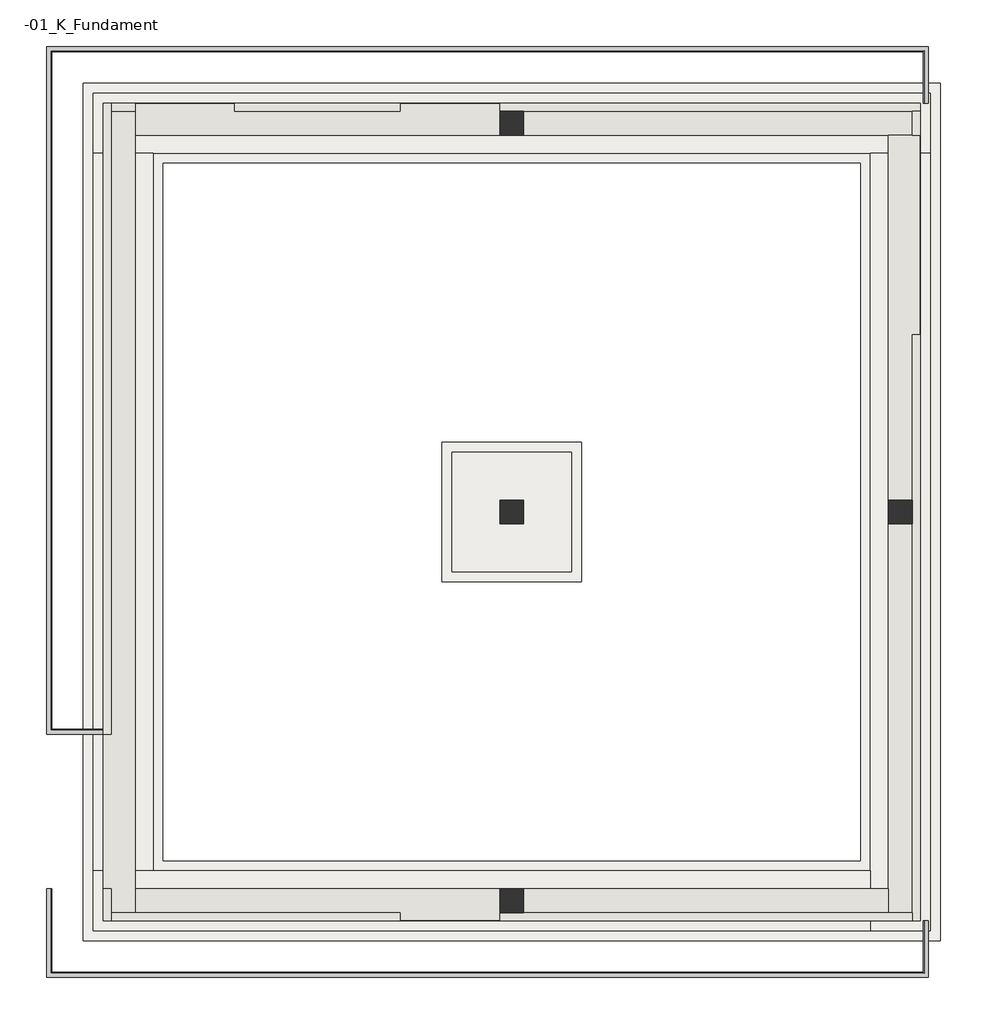
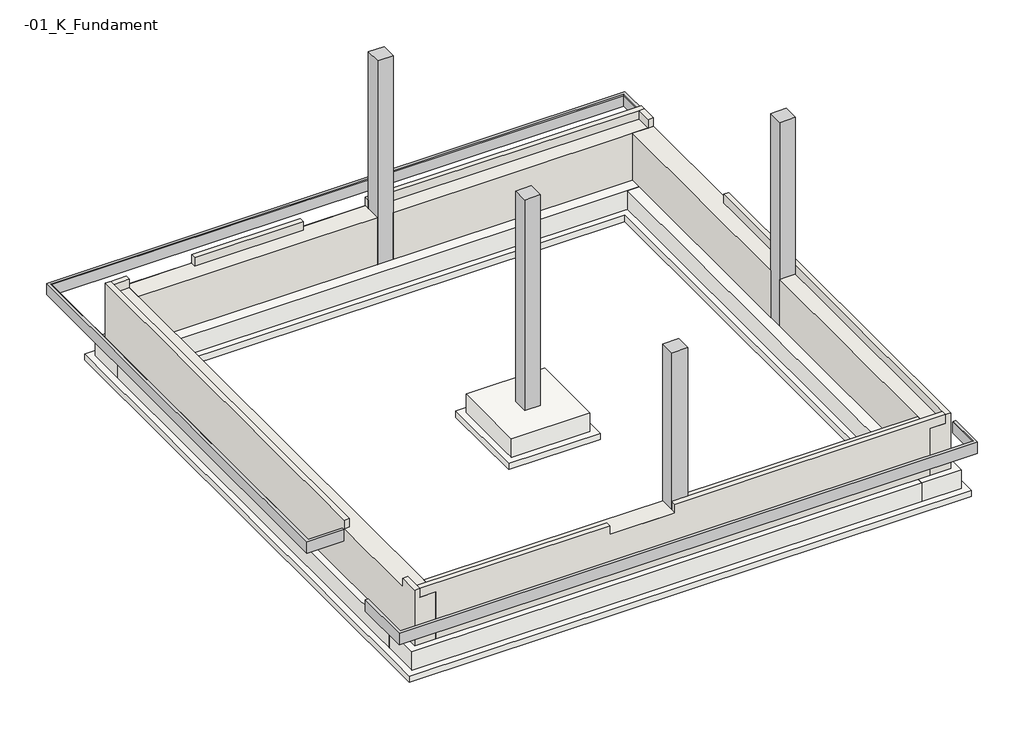
# One storey: 4 columns, 4 footings, 4 walls, 3 slabs, 1 geographic element.
"""IFC4 building model written with IfcOpenShell, lengths in millimetres."""

from ifc_helpers import new_model, si_unit, frame, origin, place, context, project, spatial, polyline, outline, extrude, faceted_brep, element, save

model = new_model("IFC4")

# Units and contexts
model_context = context("Model", 3, world=origin())
ifc_project = project(units=[si_unit("LENGTHUNIT", "METRE", prefix="MILLI")], contexts=[model_context])

# Site, building, storey
site = spatial("IfcSite", under=ifc_project)
building = spatial("IfcBuilding", under=site)
storey = spatial("IfcBuildingStorey", under=building, Name="-01_K_Fundament", Elevation=-900.0)

# Columns
placement = place(None, origin())
element("IfcColumn", 1, ObjectType="240x240mm", at=placement, inside=storey, context=model_context, shape_type="Brep", body=[
    faceted_brep([(242.0727508, 10.284763, -900.0), (242.0727508, -229.715237, -900.0), (2.0727508, -229.715237, -900.0), (2.0727508, 10.284763, -900.0), (242.0727508, 10.284763, 2510.0), (242.0727508, -229.715237, 2510.0), (242.0727508, -229.715237, -140.0), (242.0727508, -229.715237, -690.0), (242.0727508, 10.284763, -690.0), (242.0727508, 10.284763, -140.0), (2.0727508, -229.715237, 2510.0), (2.0727508, -229.715237, -140.0), (2.0727508, -229.715237, -690.0), (2.0727508, 10.284763, 2510.0), (2.0727508, 10.284763, -140.0), (2.0727508, 10.284763, -690.0)], [[[0, 1, 2, 3]], [[4, 5, 6, 7, 1, 0, 8, 9]], [[5, 10, 11, 12, 2, 1, 7, 6]], [[10, 13, 14, 15, 3, 2, 12, 11]], [[13, 4, 9, 8, 0, 3, 15, 14]], [[4, 13, 10, 5]]]),
])
element("IfcColumn", 2, ObjectType="240x240mm", at=placement, inside=storey, context=model_context, shape_type="Brep", body=[
    faceted_brep([(242.0727508, -3889.715237, -900.0), (242.0727508, -4129.715237, -900.0), (2.0727508, -4129.715237, -900.0), (2.0727508, -3889.715237, -900.0), (242.0727508, -3889.715237, 2400.0), (242.0727508, -4129.715237, 2400.0), (242.0727508, -4129.715237, 0.0), (242.0727508, -4129.715237, -140.0), (242.0727508, -3889.715237, -140.0), (242.0727508, -3889.715237, 0.0), (2.0727508, -4129.715237, 2400.0), (2.0727508, -4129.715237, 0.0), (2.0727508, -4129.715237, -140.0), (2.0727508, -3889.715237, 2400.0), (2.0727508, -3889.715237, 0.0), (2.0727508, -3889.715237, -140.0)], [[[0, 1, 2, 3]], [[4, 5, 6, 7, 1, 0, 8, 9]], [[5, 10, 11, 12, 2, 1, 7, 6]], [[10, 13, 14, 15, 3, 2, 12, 11]], [[13, 4, 9, 8, 0, 3, 15, 14]], [[4, 13, 10, 5]]]),
])
element("IfcColumn", 3, ObjectType="240x240mm", at=placement, inside=storey, context=model_context, shape_type="Brep", body=[
    faceted_brep([(4142.0727508, 10.284763, -900.0), (4142.0727508, -229.715237, -900.0), (3902.0727508, -229.715237, -900.0), (3902.0727508, 10.284763, -900.0), (4142.0727508, 10.284763, 2400.0), (4142.0727508, -229.715237, 2400.0), (4142.0727508, -229.715237, 0.0), (4142.0727508, -229.715237, -140.0), (4142.0727508, 10.284763, -140.0), (4142.0727508, 10.284763, 0.0), (3902.0727508, -229.715237, 2400.0), (3902.0727508, -229.715237, 0.0), (3902.0727508, -229.715237, -140.0), (3902.0727508, 10.284763, 2400.0), (3902.0727508, 10.284763, 0.0), (3902.0727508, 10.284763, -140.0)], [[[0, 1, 2, 3]], [[4, 5, 6, 7, 1, 0, 8, 9]], [[5, 10, 11, 12, 2, 1, 7, 6]], [[10, 13, 14, 15, 3, 2, 12, 11]], [[13, 4, 9, 8, 0, 3, 15, 14]], [[4, 13, 10, 5]]]),
])
element("IfcColumn", 4, ObjectType="240x240mm", at=placement, inside=storey, context=model_context, shape_type="Brep", body=[
    faceted_brep([(242.0727508, 3910.284763, -900.0), (242.0727508, 3670.284763, -900.0), (2.0727508, 3670.284763, -900.0), (2.0727508, 3910.284763, -900.0), (242.0727508, 3910.284763, 2400.0), (242.0727508, 3670.284763, 2400.0), (242.0727508, 3670.284763, 0.0), (242.0727508, 3670.284763, -140.0), (242.0727508, 3910.284763, -140.0), (242.0727508, 3910.284763, 0.0), (2.0727508, 3670.284763, 2400.0), (2.0727508, 3670.284763, 0.0), (2.0727508, 3670.284763, -140.0), (2.0727508, 3910.284763, 2400.0), (2.0727508, 3910.284763, 0.0), (2.0727508, 3910.284763, -140.0)], [[[0, 1, 2, 3]], [[4, 5, 6, 7, 1, 0, 8, 9]], [[5, 10, 11, 12, 2, 1, 7, 6]], [[10, 13, 14, 15, 3, 2, 12, 11]], [[13, 4, 9, 8, 0, 3, 15, 14]], [[4, 13, 10, 5]]]),
])

# Footings
element("IfcFooting", 5, at=placement, inside=storey, context=model_context, shape_type="Brep", body=[
    faceted_brep([(-4077.9272492, 3490.284763, -900.0), (-3477.9272492, 3490.284763, -900.0), (3722.0727508, 3490.284763, -900.0), (4322.0727508, 3490.284763, -900.0), (4322.0727508, 4090.284763, -900.0), (-4077.9272492, 4090.284763, -900.0), (-4077.9272492, 4090.284763, -1200.0), (4322.0727508, 4090.284763, -1200.0), (-4077.9272492, 3490.284763, -1200.0), (4322.0727508, 3490.284763, -1200.0), (3722.0727508, 3490.284763, -1200.0), (-3477.9272492, 3490.284763, -1200.0)], [[[0, 1, 2, 3, 4, 5]], [[6, 5, 4, 7]], [[8, 6, 7, 9, 10, 11]], [[0, 8, 11, 10, 9, 3, 2, 1]], [[0, 5, 6, 8]], [[4, 3, 9, 7]]]),
])
element("IfcFooting", 6, at=placement, inside=storey, context=model_context, shape_type="Brep", body=[
    faceted_brep([(-3477.9272492, 3490.284763, -900.0), (-4077.9272492, 3490.284763, -900.0), (-4077.9272492, -2289.715237, -900.0), (-4077.9272492, -3709.715237, -900.0), (-3477.9272492, -3709.715237, -900.0), (-4077.9272492, 3490.284763, -1200.0), (-4077.9272492, -2289.715237, -1200.0), (-4077.9272492, -3709.715237, -1200.0), (-3477.9272492, 3490.284763, -1200.0), (-3477.9272492, -3709.715237, -1200.0)], [[[0, 1, 2, 3, 4]], [[1, 5, 6, 7, 3, 2]], [[5, 8, 9, 7, 6]], [[8, 0, 4, 9]], [[1, 0, 8, 5]], [[4, 3, 7, 9]]]),
])
element("IfcFooting", 7, at=placement, inside=storey, context=model_context, shape_type="Brep", body=[
    faceted_brep([(-4077.9272492, -3709.715237, -900.0), (-4077.9272492, -4309.715237, -900.0), (3722.0727508, -4309.715237, -900.0), (3722.0727508, -3709.715237, -900.0), (-3477.9272492, -3709.715237, -900.0), (-4077.9272492, -4309.715237, -1200.0), (3722.0727508, -4309.715237, -1200.0), (-4077.9272492, -3709.715237, -1200.0), (-3477.9272492, -3709.715237, -1200.0), (3722.0727508, -3709.715237, -1200.0)], [[[0, 1, 2, 3, 4]], [[1, 5, 6, 2]], [[5, 7, 8, 9, 6]], [[7, 0, 4, 3, 9, 8]], [[1, 0, 7, 5]], [[3, 2, 6, 9]]]),
])
element("IfcFooting", 8, at=placement, inside=storey, context=model_context, shape_type="Brep", body=[
    faceted_brep([(3722.0727508, -4309.715237, -900.0), (4322.0727508, -4309.715237, -900.0), (4322.0727508, 3490.284763, -900.0), (3722.0727508, 3490.284763, -900.0), (3722.0727508, -3709.715237, -900.0), (4322.0727508, -4309.715237, -1200.0), (4322.0727508, 3490.284763, -1200.0), (3722.0727508, -4309.715237, -1200.0), (3722.0727508, -3709.715237, -1200.0), (3722.0727508, 3490.284763, -1200.0)], [[[0, 1, 2, 3, 4]], [[1, 5, 6, 2]], [[5, 7, 8, 9, 6]], [[7, 0, 4, 3, 9, 8]], [[1, 0, 7, 5]], [[3, 2, 6, 9]]]),
])

# Geographic element
element("IfcGeographicElement", 9, at=placement, inside=storey, context=model_context, shape_type="Brep", body=[
    faceted_brep([(4302.0727507, 3990.284763, -335.0), (4302.0727508, 3990.284763, -150.0), (4262.0727508, 3990.284763, -150.0), (4252.0727507, 3990.284763, -160.0), (4252.0727507, 3990.284763, -335.0), (4302.0727507, 4560.284763, -335.0), (4302.0727508, 4560.2847631, -150.0), (-4547.9272493, 4560.2847631, -150.0), (-4547.9272493, -2339.715237, -150.0), (-3977.9272493, -2339.715237, -150.0), (-3977.9272493, -2299.715237, -150.0), (-4507.9272493, -2299.715237, -150.0), (-4507.9272493, 4520.2847631, -150.0), (4262.0727508, 4520.2847631, -150.0), (4252.0727507, 4510.284763, -160.0), (4252.0727507, 4510.284763, -335.0), (-4497.9272492, 4510.284763, -335.0), (-4497.9272492, -2289.715237, -335.0), (-3977.9272493, -2289.715237, -335.0), (-3977.9272493, -2339.715237, -335.0), (-4547.9272493, -2339.715237, -335.0), (-4547.9272493, 4560.284763, -335.0), (-4497.9272492, 4510.284763, -160.0), (-4497.9272492, -2289.715237, -160.0), (-3977.9272493, -2289.715237, -160.0)], [[[0, 1, 2, 3, 4]], [[1, 0, 5, 6]], [[2, 1, 6, 7, 8, 9, 10, 11, 12, 13]], [[3, 2, 13, 14]], [[4, 3, 14, 15]], [[0, 4, 15, 16, 17, 18, 19, 20, 21, 5]], [[6, 5, 21, 7]], [[14, 13, 12, 22]], [[15, 14, 22, 16]], [[7, 21, 20, 8]], [[22, 12, 11, 23]], [[16, 22, 23, 17]], [[19, 18, 24, 10, 9]], [[8, 20, 19, 9]], [[23, 11, 10, 24]], [[17, 23, 24, 18]]]),
    faceted_brep([(-4547.9272493, -3889.715237, -335.0), (-4547.9272493, -3889.715237, -150.0), (-4507.9272493, -3889.715237, -150.0), (-4497.9272492, -3889.715237, -160.0), (-4497.9272492, -3889.715237, -335.0), (-4547.9272493, -4779.715237, -335.0), (-4547.9272493, -4779.715237, -150.0), (4302.0727508, -4779.715237, -150.0), (4302.0727508, -4209.715237, -150.0), (4262.0727508, -4209.715237, -150.0), (4262.0727508, -4739.715237, -150.0), (-4507.9272493, -4739.715237, -150.0), (-4497.9272492, -4729.715237, -160.0), (-4497.9272492, -4729.715237, -335.0), (4252.0727507, -4729.715237, -335.0), (4252.0727507, -4209.715237, -335.0), (4302.0727508, -4209.715237, -335.0), (4302.0727508, -4779.715237, -335.0), (4252.0727507, -4729.715237, -160.0), (4252.0727507, -4209.715237, -160.0)], [[[0, 1, 2, 3, 4]], [[1, 0, 5, 6]], [[2, 1, 6, 7, 8, 9, 10, 11]], [[3, 2, 11, 12]], [[4, 3, 12, 13]], [[0, 4, 13, 14, 15, 16, 17, 5]], [[6, 5, 17, 7]], [[12, 11, 10, 18]], [[13, 12, 18, 14]], [[16, 15, 19, 9, 8]], [[7, 17, 16, 8]], [[18, 10, 9, 19]], [[14, 18, 19, 15]]]),
])

# Slabs
element("IfcSlab", 10, at=placement, inside=storey, context=model_context, shape_type="SweptSolid", body=[
    extrude(outline(polyline([(4422.0727508, 4190.284763), (4422.0727508, -4409.715237), (-4177.9272493, -4409.715237), (-4177.9272493, 4190.284763), (4422.0727508, 4190.284763)]), holes=[polyline([(-3377.9272493, 3390.2847631), (-3377.9272493, -3609.7152371), (3622.0727508, -3609.7152371), (3622.0727508, 3390.2847631), (-3377.9272493, 3390.2847631)])]), frame((0.0, 0.0, -1300.0), z_axis=(0.0, 0.0, 1.0), x_axis=(1.0, 0.0, 0.0)), (0.0, 0.0, 1.0), 100.0),
])
element("IfcSlab", 11, at=placement, inside=storey, context=model_context, shape_type="SweptSolid", body=[
    extrude(outline(polyline([(-577.9272492, -809.715237), (-577.9272492, 590.284763), (822.0727508, 590.284763), (822.0727508, -809.715237), (-577.9272492, -809.715237)])), frame((0.0, 0.0, -1300.0), z_axis=(0.0, 0.0, 1.0), x_axis=(1.0, 0.0, 0.0)), (0.0, 0.0, 1.0), 100.0),
])
element("IfcSlab", 12, ObjectType="1200 x 1200 x 300mm", at=placement, inside=storey, context=model_context, shape_type="SweptSolid", body=[
    extrude(outline(polyline([(722.0727508, 490.284763), (722.0727508, -709.715237), (-477.9272492, -709.715237), (-477.9272492, 490.284763), (722.0727508, 490.284763)])), frame((0.0, 0.0, -1200.0), z_axis=(0.0, 0.0, 1.0), x_axis=(1.0, 0.0, 0.0)), (0.0, 0.0, 1.0), 300.0),
])

# Walls
element("IfcWall", 13, at=placement, inside=storey, context=model_context, shape_type="Brep", body=[
    faceted_brep([(-3657.9272492, -4209.715237, -900.0), (-3657.9272492, -3889.715237, -900.0), (-3657.9272492, 3670.284763, -900.0), (-3657.9272492, 3990.284763, -900.0), (-3657.9272492, 3990.284763, -140.0), (-3657.9272492, 3670.284763, -140.0), (-3657.9272492, -2339.715237, -140.0), (-3657.9272492, -3889.715237, -140.0), (-3657.9272492, -4209.715237, -140.0), (-3977.9272492, 3990.284763, -900.0), (-3977.9272492, -4209.715237, -900.0), (-3977.9272492, -4209.715237, 0.0), (-3977.9272492, -3889.715237, 0.0), (-3977.9272492, -3889.715237, -140.0), (-3977.9272492, -2339.715237, -140.0), (-3977.9272492, -2339.715237, 0.0), (-3977.9272492, 3990.284763, 0.0), (-3897.9272492, 3990.284763, 0.0), (-3897.9272492, 3990.284763, -140.0), (-3897.9272492, -4209.715237, -140.0), (-3897.9272492, -4209.715237, 0.0), (-3897.9272492, 3910.284763, -140.0), (-3897.9272492, -2339.715237, -140.0), (-3897.9272492, -3889.715237, -140.0), (-3897.9272492, -4129.715237, -140.0), (-3897.9272492, -3889.715237, 0.0), (-3897.9272492, -4129.715237, 0.0), (-3897.9272492, 3910.284763, 0.0), (-3897.9272492, -2339.715237, 0.0)], [[[0, 1, 2, 3, 4, 5, 6, 7, 8]], [[9, 10, 11, 12, 13, 14, 15, 16]], [[3, 2, 1, 0, 10, 9]], [[4, 3, 9, 16, 17, 18]], [[0, 8, 19, 20, 11, 10]], [[19, 8, 7, 6, 5, 4, 18, 21, 22, 14, 13, 23, 24]], [[20, 19, 24, 23, 25, 26]], [[18, 17, 27, 28, 22, 21]], [[17, 16, 15, 28, 27]], [[11, 20, 26, 25, 12]], [[14, 22, 28, 15]], [[23, 13, 12, 25]]]),
])
element("IfcWall", 14, at=placement, inside=storey, context=model_context, shape_type="Brep", body=[
    faceted_brep([(-3657.9272492, 3670.284763, -140.0), (-3657.9272492, 3670.284763, -900.0), (2.0727508, 3670.284763, -900.0), (2.0727508, 3670.284763, -140.0), (-997.9272493, 3670.284763, -140.0), (-2657.9272493, 3670.284763, -140.0), (4222.0727508, 3670.284763, -900.0), (4222.0727508, 3670.284763, -140.0), (3902.0727508, 3670.284763, -140.0), (3887.0727507, 3670.284763, -140.0), (242.0727508, 3670.284763, -140.0), (242.0727508, 3670.284763, -900.0), (3902.0727508, 3670.284763, -900.0), (4222.0727508, 3990.284763, -900.0), (-3657.9272492, 3990.284763, -900.0), (-3657.9272492, 3990.284763, -140.0), (-2657.9272493, 3990.284763, -140.1209677), (-2657.9272493, 3990.284763, 0.0), (-997.9272493, 3990.284763, 0.0), (-997.9272493, 3990.284763, -140.1209677), (2.0727507, 3990.284763, -140.1209677), (2.0727507, 3990.284763, 0.0), (4222.0727508, 3990.284763, 0.0), (-3897.9272492, 3990.284763, -140.0), (-3897.9272492, 3990.284763, 0.0), (-3657.9272493, 3990.284763, 0.0), (242.0727508, 3910.284763, -900.0), (2.0727508, 3910.284763, -900.0), (-3657.9272492, 3910.284763, -140.0), (-3657.9272492, 3987.284763, -140.0), (4222.0727508, 3910.284763, 0.0), (4222.0727508, 3910.284763, -140.0), (2.0727508, 3910.284763, -140.0), (2.0727507, 3987.284763, -140.0), (-997.9272493, 3987.284763, -140.0), (-997.9272493, 3910.284763, -140.0), (-2657.9272493, 3910.284763, -140.0), (-2657.9272493, 3987.284763, -140.0), (-3657.9272493, 3987.284763, -140.0), (4142.0727508, 3910.284763, -140.0), (3887.0727507, 3910.284763, -140.0), (242.0727508, 3910.284763, -140.0), (4142.0727508, 3910.284763, 0.0), (3887.0727507, 3910.284763, 0.0), (242.0727508, 3910.284763, 0.0), (2.0727507, 3910.284763, 0.0), (-3897.9272492, 3910.284763, -140.0), (-3657.9272493, 3910.284763, 0.0), (-3897.9272492, 3910.284763, 0.0), (-2657.9272493, 3910.284763, 0.0), (-997.9272493, 3910.284763, 0.0)], [[[0, 1, 2, 3, 4, 5]], [[6, 7, 8, 9, 10, 11, 12]], [[13, 14, 15, 16, 17, 18, 19, 20, 21, 22]], [[15, 23, 24, 25]], [[14, 13, 6, 12, 11, 26, 27, 2, 1]], [[1, 0, 28, 29, 15, 14]], [[7, 6, 13, 22, 30, 31]], [[28, 0, 5, 4, 3, 32, 33, 34, 35, 36, 37, 38]], [[7, 31, 39, 40, 41, 10, 9, 8]], [[31, 30, 42, 43, 44, 45, 32, 27, 26, 41, 40, 39]], [[46, 28, 47, 48]], [[49, 36, 35, 50]], [[24, 48, 47, 25]], [[17, 49, 50, 18]], [[45, 44, 43, 42, 30, 22, 21]], [[23, 15, 29, 28, 46]], [[48, 24, 23, 46]], [[41, 26, 11, 10]], [[27, 32, 3, 2]], [[38, 15, 25, 47, 28]], [[16, 37, 36, 49, 17]], [[38, 37, 16, 15]], [[33, 32, 45, 21, 20]], [[35, 34, 19, 18, 50]], [[34, 33, 20, 19]]]),
])
element("IfcWall", 15, at=placement, inside=storey, context=model_context, shape_type="Brep", body=[
    faceted_brep([(3902.0727508, 3670.284763, -140.0), (3902.0727508, 3670.284763, -900.0), (3902.0727508, 10.284763, -900.0), (3902.0727508, 10.284763, -140.0), (3902.0727508, -4209.715237, -900.0), (3902.0727508, -4209.715237, -140.0), (3902.0727508, -3889.715237, -140.0), (3902.0727508, -229.715237, -140.0), (3902.0727508, -229.715237, -900.0), (3902.0727508, -3889.715237, -900.0), (4222.0727508, -4209.715237, -900.0), (4222.0727508, 3670.284763, -900.0), (4222.0727508, 3670.284763, -140.0), (4222.0727508, 1670.284763, -140.1209677), (4222.0727508, 1670.284763, 0.0), (4222.0727508, -4209.715237, 0.0), (4222.0727508, 3910.284763, -140.0), (4222.0727508, 3910.284763, 0.0), (4222.0727508, 3670.284763, 0.0), (4142.0727508, -229.715237, -900.0), (4142.0727508, 10.284763, -900.0), (4142.0727508, 3670.284763, -140.0), (4219.0727507, 3670.284763, -140.0), (4142.0727508, -4209.715237, 0.0), (4142.0727508, -4209.715237, -140.0), (4142.0727508, 10.284763, -140.0), (4142.0727508, 1670.284763, -140.0), (4219.0727507, 1670.284763, -140.0), (4219.0727507, 3670.284763, -140.0), (4142.0727508, -4129.715237, -140.0), (4142.0727508, -229.715237, -140.0), (4142.0727508, 3910.284763, -140.0), (4142.0727508, 3670.284763, 0.0), (4142.0727508, 3910.284763, 0.0), (4142.0727508, -4129.715237, 0.0), (4142.0727508, 1670.284763, 0.0)], [[[0, 1, 2, 3]], [[4, 5, 6, 7, 8, 9]], [[10, 11, 12, 13, 14, 15]], [[12, 16, 17, 18]], [[11, 10, 4, 9, 8, 19, 20, 2, 1]], [[1, 0, 21, 22, 12, 11]], [[5, 4, 10, 15, 23, 24]], [[21, 0, 3, 25, 26, 27, 28]], [[5, 24, 29, 30, 7, 6]], [[31, 21, 32, 33]], [[24, 23, 34, 35, 26, 25, 20, 19, 30, 29]], [[17, 33, 32, 18]], [[35, 34, 23, 15, 14]], [[16, 12, 22, 21, 31]], [[33, 17, 16, 31]], [[28, 12, 18, 32, 21]], [[27, 26, 35, 14, 13]], [[28, 27, 13, 12]], [[30, 19, 8, 7]], [[20, 25, 3, 2]]]),
])
element("IfcWall", 16, at=placement, inside=storey, context=model_context, shape_type="Brep", body=[
    faceted_brep([(-3657.9272492, -3889.715237, -900.0), (-3657.9272492, -3889.715237, -140.0), (-997.9272492, -3889.715237, -140.0), (2.0727508, -3889.715237, -140.0), (2.0727508, -3889.715237, -900.0), (3902.0727508, -3889.715237, -140.0), (3902.0727508, -3889.715237, -900.0), (242.0727508, -3889.715237, -900.0), (242.0727508, -3889.715237, -140.0), (3887.0727507, -3889.715237, -140.0), (-3657.9272492, -4209.715237, -900.0), (3902.0727508, -4209.715237, -900.0), (3902.0727508, -4209.715237, -140.0), (4142.0727508, -4209.715237, -140.0), (4142.0727508, -4209.715237, 0.0), (2.0727508, -4209.715237, 0.0), (2.0727508, -4209.715237, -140.1209677), (-997.9272492, -4209.715237, -140.1209677), (-997.9272492, -4209.715237, 0.0), (-3897.9272492, -4209.715237, 0.0), (-3897.9272492, -4209.715237, -140.0), (-3657.9272492, -4209.715237, -140.0), (2.0727508, -4129.715237, -900.0), (242.0727508, -4129.715237, -900.0), (-3657.9272492, -4129.715237, -140.0), (3902.0727508, -4129.715237, -140.0), (242.0727508, -4129.715237, -140.0), (3887.0727507, -4129.715237, -140.0), (-997.9272492, -4129.715237, -140.0), (-997.9272492, -4206.715237, -140.0), (2.0727508, -4206.715237, -140.0), (2.0727508, -4129.715237, -140.0), (4142.0727508, -4129.715237, -140.0), (2.0727508, -4129.715237, 0.0), (242.0727508, -4129.715237, 0.0), (3887.0727507, -4129.715237, 0.0), (4142.0727508, -4129.715237, 0.0), (-3897.9272492, -4129.715237, -140.0), (-3897.9272492, -4129.715237, 0.0), (-997.9272492, -4129.715237, 0.0)], [[[0, 1, 2, 3, 4]], [[5, 6, 7, 8, 9]], [[10, 11, 12, 13, 14, 15, 16, 17, 18, 19, 20, 21]], [[11, 10, 0, 4, 22, 23, 7, 6]], [[1, 0, 10, 21, 24]], [[6, 5, 25, 12, 11]], [[25, 5, 9, 8, 26, 27]], [[1, 24, 28, 29, 30, 31, 3, 2]], [[32, 25, 27, 26, 23, 22, 31, 33, 34, 35, 36]], [[24, 37, 38, 39, 28]], [[14, 36, 35, 34, 33, 15]], [[38, 19, 18, 39]], [[37, 24, 21, 20]], [[19, 38, 37, 20]], [[13, 12, 25, 32]], [[36, 14, 13, 32]], [[23, 26, 8, 7]], [[31, 22, 4, 3]], [[30, 16, 15, 33, 31]], [[17, 29, 28, 39, 18]], [[30, 29, 17, 16]]]),
])

save(model, "model.ifc")
